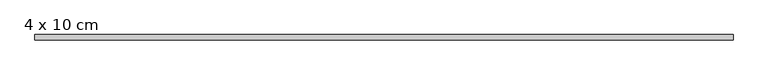
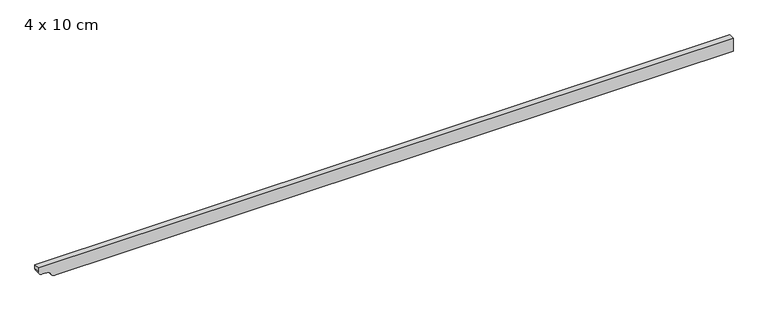
"""IFC4 building model written with IfcOpenShell, lengths in millimetres: beam geometry, 4 x 10 cm."""

from ifc_helpers import new_model, si_unit, point, frame, frame_2d, origin, place, context, project, spatial, polyline, circle_curve, trimmed, segment, composite_curve, outline, extrude, source, transform, mapped, element, save


def beam_4_x_10_cm_8a9a482a(model_context):
    return source(origin(), model_context, "Body", "SweptSolid", [
        extrude(outline(composite_curve([segment(polyline([(50.0, 2545.1544326), (50.0, -2584.8826787), (22.5, -2584.8826787)]), True, "CONTINUOUS"), segment(trimmed(circle_curve(frame_2d((22.5, -2552.3826787)), 32.5), [point((22.5, -2584.8826787))], [point((-10.0, -2552.3826787))], False, "CARTESIAN"), True, "CONTINUOUS"), segment(polyline([(-10.0, -2552.3826787), (-10.0, -2521.3724735)]), True, "CONTINUOUS"), segment(trimmed(circle_curve(frame_2d((-40.0, -2521.3724735)), 30.0), [point((-10.0, -2521.3724735))], [point((-34.0, -2491.9785966))], True, "CARTESIAN"), True, "CONTINUOUS"), segment(trimmed(circle_curve(frame_2d((-3.1535049, -2452.6276914)), 50.0), [point((-34.0, -2491.9785966))], [point((-53.1535049, -2452.6276914))], False, "CARTESIAN"), True, "CONTINUOUS"), segment(polyline([(-53.1535049, -2452.6276914), (-53.1535049, 2545.1544326), (50.0, 2545.1544326)]), True, "CONTINUOUS")], self_intersect=False)), frame((0.0, -20.0, 0.0), z_axis=(0.0, 1.0, 0.0), x_axis=(0.0, 0.0, 1.0)), (0.0, 0.0, 1.0), 40.0),
    ])


if __name__ == "__main__":
    model = new_model("IFC4")
    model_context = context("Model", 3, world=origin())
    ifc_project = project(units=[si_unit("LENGTHUNIT", "METRE", prefix="MILLI")], contexts=[model_context])
    site = spatial("IfcSite", under=ifc_project)
    building = spatial("IfcBuilding", under=site)
    placement = place(None, origin())
    beam_4_x_10_cm_shape = beam_4_x_10_cm_8a9a482a(model_context)
    element("IfcBeam", 1, ObjectType="4 x 10 cm", at=placement, inside=building, context=model_context, shape_type="MappedRepresentation", body=[
        mapped(beam_4_x_10_cm_shape, transform((0.0, 0.0, 0.0), x_axis=(1.0, 0.0, 0.0), y_axis=(0.0, 1.0, 0.0), z_axis=(0.0, 0.0, 1.0))),
    ])
    save(model, "model.ifc")
